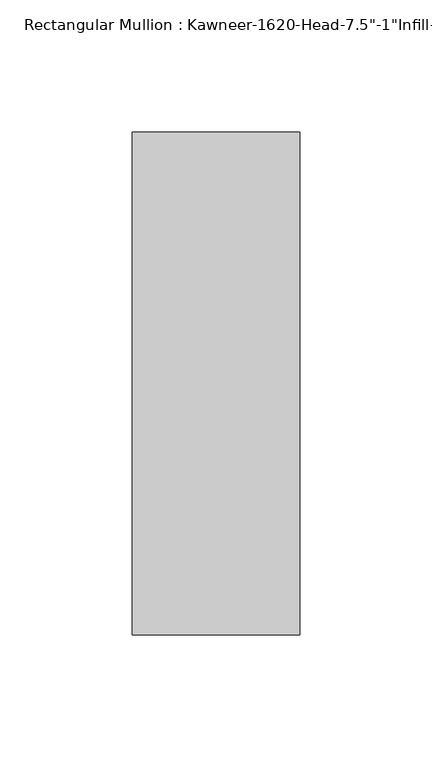
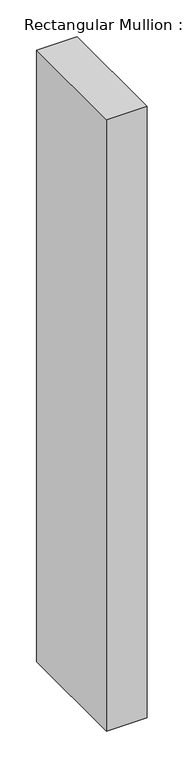
"""IFC4 building model written with IfcOpenShell, lengths in millimetres: member geometry."""

from ifc_helpers import new_model, si_unit, frame, origin, place, context, project, spatial, polyline, outline, extrude, source, transform, mapped, element, save


def member_793e81b4(model_context):
    return source(origin(), model_context, "Body", "SweptSolid", [
        extrude(outline(polyline([(-63.5, 38.1), (0.0, 38.1), (0.0, -152.4), (-63.5, -152.4), (-63.5, 38.1)])), frame((0.0, 0.0, -1015.1317631), z_axis=(0.0, 0.0, 1.0), x_axis=(1.0, 0.0, 0.0)), (0.0, 0.0, 1.0), 1015.1317631),
    ])


if __name__ == "__main__":
    model = new_model("IFC4")
    model_context = context("Model", 3, world=origin())
    ifc_project = project(units=[si_unit("LENGTHUNIT", "METRE", prefix="MILLI")], contexts=[model_context])
    site = spatial("IfcSite", under=ifc_project)
    building = spatial("IfcBuilding", under=site)
    placement = place(None, origin())
    member_shape = member_793e81b4(model_context)
    element("IfcMember", 1, ObjectType="Rectangular Mullion : Kawneer-1620-Head-7.5\"-1\"Infill-1A", at=placement, inside=building, context=model_context, shape_type="MappedRepresentation", body=[
        mapped(member_shape, transform((0.0, 0.0, 0.0), x_axis=(1.0, 0.0, 0.0), y_axis=(0.0, 1.0, 0.0), z_axis=(0.0, 0.0, 1.0))),
    ])
    save(model, "model.ifc")
